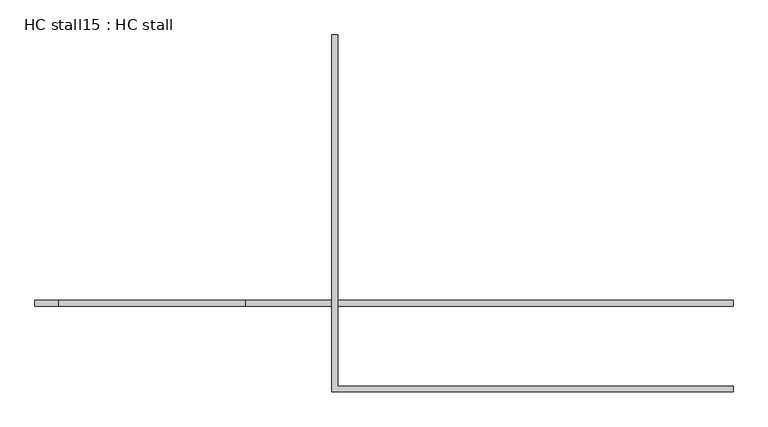
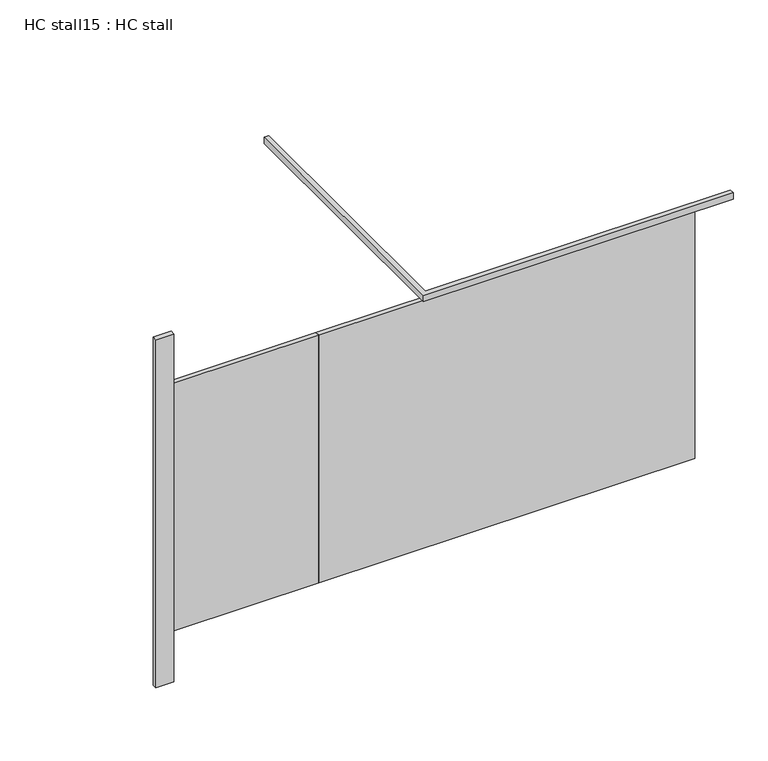
"""IFC4 building model written with IfcOpenShell, lengths in millimetres: proxy geometry, HC stall15 : HC stall."""

from ifc_helpers import new_model, si_unit, frame, origin, origin_with_axes, place, context, project, spatial, polyline, outline, extrude, source, transform, mapped, element, save


def hc_stall15_hc_stall_2605a056(model_context):
    return source(origin(), model_context, "Body", "SweptSolid", [
        extrude(outline(polyline([(272073.4754676, -251065.5205223), (269957.3379676, -251065.5205223), (269957.3379676, -251040.1205223), (272073.4754676, -251040.1205223), (272073.4754676, -251065.5205223)])), frame((0.0, 0.0, 304.8), z_axis=(0.0, 0.0, 1.0), x_axis=(1.0, 0.0, 0.0)), (0.0, 0.0, 1.0), 1473.2),
        extrude(outline(polyline([(269144.5379676, -251040.1205223), (269144.5379676, -251065.5205223), (269042.9379676, -251065.5205223), (269042.9379676, -251040.1205223), (269144.5379676, -251040.1205223)])), origin_with_axes(), (0.0, 0.0, 1.0), 2070.1),
        extrude(outline(polyline([(270357.3879676, -251411.5955223), (272073.4754676, -251411.5955223), (272073.4754676, -251436.9955223), (270331.9879676, -251436.9955223), (270331.9879676, -249887.5955223), (270357.3879676, -249887.5955223), (270357.3879676, -251411.5955223)])), frame((0.0, 0.0, 2070.1), z_axis=(0.0, 0.0, 1.0), x_axis=(1.0, 0.0, 0.0)), (0.0, 0.0, 1.0), 38.1),
        extrude(outline(polyline([(269957.3379676, -251040.1205223), (269957.3379676, -251065.5205223), (269144.5379676, -251065.5205223), (269144.5379676, -251040.1205223), (269957.3379676, -251040.1205223)])), frame((0.0, 0.0, 304.8), z_axis=(0.0, 0.0, 1.0), x_axis=(1.0, 0.0, 0.0)), (0.0, 0.0, 1.0), 1473.2),
    ])


if __name__ == "__main__":
    model = new_model("IFC4")
    model_context = context("Model", 3, world=origin())
    ifc_project = project(units=[si_unit("LENGTHUNIT", "METRE", prefix="MILLI")], contexts=[model_context])
    site = spatial("IfcSite", under=ifc_project)
    building = spatial("IfcBuilding", under=site)
    placement = place(None, origin())
    hc_stall15_hc_stall_shape = hc_stall15_hc_stall_2605a056(model_context)
    element("IfcBuildingElementProxy", 1, Name="HC stall15 : HC stall", ObjectType="HC stall15 : HC stall", at=placement, inside=building, context=model_context, shape_type="MappedRepresentation", body=[
        mapped(hc_stall15_hc_stall_shape, transform((0.0, 0.0, 0.0), x_axis=(1.0, 0.0, 0.0), y_axis=(0.0, 1.0, 0.0), z_axis=(0.0, 0.0, 1.0))),
    ])
    save(model, "model.ifc")
